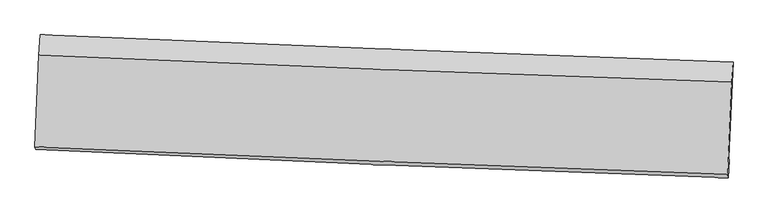
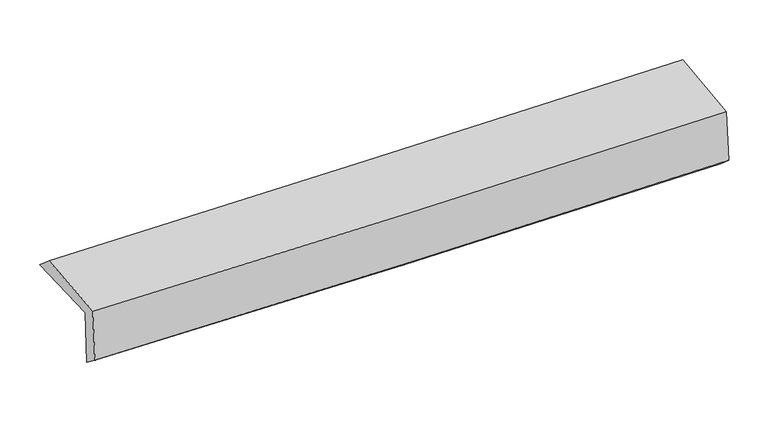
"""IFC4 building model written with IfcOpenShell, lengths in millimetres: proxy geometry."""

from ifc_helpers import new_model, si_unit, frame, origin, place, context, project, spatial, source, transform, mapped, element, save
from ifc_brep_helpers import plane_surface, spline_curve, spline_surface, advanced_brep


def generic_models_870f68ca(model_context):
    return source(origin(), model_context, "Body", "AdvancedBrep", [
        advanced_brep(
        [(-2411.7501899, -1707.332859, 2023.1063826), (-2382.1386839, -1045.681677, 2004.3996067), (2411.0349795, -1233.6305899, 2078.0722009), (2380.4891945, -1898.4917664, 2076.666635), (-2405.7515716, -1716.5048676, 1618.6355379), (2385.9369743, -1914.4397396, 1687.2714965), (-2412.6739852, -1839.2560102, 1712.3346792), (2378.6186937, -2037.3420623, 1792.3305977), (-2418.1384184, -1821.5331108, 2106.9967166), (2373.7674074, -2011.2720988, 2173.4654705), (-2390.2589127, -1186.5598414, 2123.0221907), (2402.5568484, -1374.3295104, 2204.6530328)],
        [
            (0, 1),
            (1, 2, spline_curve(3, [(-2382.1386839, -1045.681677, 2004.3996067), (-1583.325432664, -1080.401881571, 2013.96486821), (-784.445054868, -1113.425882817, 2024.887681431), (813.279528523, -1176.074797155, 2049.445792007), (1612.123704833, -1205.700433144, 2063.080510096), (2411.0349795, -1233.6305899, 2078.0722009)], [4, 2, 4], [0.0, 7.869824330927945, 15.737969925462668])),
            (2, 3),
            (3, 0, spline_curve(3, [(2380.4891945, -1898.4917664, 2076.666635), (1581.837916934, -1871.115352945, 2058.330553242), (783.201593006, -1841.499175311, 2044.69913206), (-814.21154173, -1777.78049555, 2026.843706939), (-1612.988345668, -1743.677037236, 2022.621710549), (-2411.7501899, -1707.332859, 2023.1063826)], [4, 2, 4], [0.0, 7.868145594534723, 15.737969925462668])),
            (4, 0),
            (3, 5),
            (5, 4, spline_curve(3, [(2385.9369743, -1914.4397396, 1687.2714965), (1587.198369926, -1888.192494757, 1671.447299009), (788.564270965, -1858.576418612, 1657.815913156), (-808.665288708, -1792.599565374, 1634.936324726), (-1607.260705224, -1756.237351186, 1625.689057512), (-2405.7515716, -1716.5048676, 1618.6355379)], [4, 2, 4], [0.0, 7.867251609029198, 15.736181763712137])),
            (6, 4),
            (5, 7),
            (7, 6, spline_curve(3, [(2378.6186937, -2037.3420623, 1792.3305977), (1579.892462312, -2011.123570707, 1778.4003638), (781.297532616, -1981.509276837, 1764.769599224), (-815.800083284, -1915.482041976, 1738.104165229), (-1614.302712846, -1879.067651657, 1725.06962351), (-2412.6739852, -1839.2560102, 1712.3346792)], [4, 2, 4], [0.0, 7.866965262285107, 15.73560900912942])),
            (8, 6),
            (7, 9),
            (9, 8, spline_curve(3, [(2373.7674074, -2011.2720988, 2173.4654705), (1575.132438905, -1983.662379131, 2157.281257563), (776.532060689, -1954.047837277, 2143.650406816), (-820.769896154, -1890.80236346, 2121.493065706), (-1619.471459763, -1857.170576007, 2112.967665423), (-2418.1384184, -1821.5331108, 2106.9967166)], [4, 2, 4], [0.0, 7.866814663361385, 15.735307779150403])),
            (10, 8),
            (9, 11),
            (11, 10, spline_curve(3, [(2402.5568484, -1374.3295104, 2204.6530328), (1603.675704148, -1346.373573988, 2190.988716019), (804.876412868, -1316.749980363, 2177.354709915), (-792.728875488, -1254.16080258, 2150.144416419), (-1591.534838412, -1221.194506307, 2136.56814189), (-2390.2589127, -1186.5598414, 2123.0221907)], [4, 2, 4], [0.0, 7.867714590261038, 15.737107824956837])),
            (1, 10),
            (11, 2),
        ],
        [
            spline_surface(3, 3, [[(-2411.7501899, -1707.332859, 2023.1063826), (-1612.988345593, -1743.677037165, 2022.621710534), (-814.21154162, -1777.780495458, 2026.843706877), (783.201592896, -1841.499175403, 2044.699132122), (1581.837917055, -1871.115352924, 2058.330553236), (2380.4891945, -1898.4917664, 2076.666635)], [(-2401.879687904, -1486.78246499, 2016.870790639), (-1603.100707925, -1522.585318615, 2019.736096431), (-804.289379297, -1556.328957973, 2026.19169839), (793.227571424, -1619.691049297, 2046.281352063), (1591.933179715, -1649.310379704, 2059.913872212), (2390.671122858, -1676.871374244, 2077.13515699)], [(-2392.009185896, -1266.23207101, 2010.635198661), (-1593.213070247, -1301.493600094, 2016.850482312), (-794.367217061, -1334.87742043, 2025.539689942), (803.253549864, -1397.882923132, 2047.863572042), (1602.0284423, -1427.505406451, 2061.497191116), (2400.853051142, -1455.250982056, 2077.60367891)], [(-2382.1386839, -1045.681677, 2004.3996067), (-1583.325432579, -1080.401881544, 2013.964868209), (-784.445054738, -1113.425882946, 2024.887681455), (813.279528393, -1176.074797025, 2049.445791983), (1612.12370496, -1205.70043323, 2063.080510091), (2411.0349795, -1233.6305899, 2078.0722009)]], [4, 4], [4, 2, 4], [0.0, 2.18360826548558], [0.0, 7.869824330927945, 15.737969925462668]),
            spline_surface(3, 3, [[(-2405.7515716, -1716.5048676, 1618.6355379), (-1607.260705236, -1756.237351096, 1625.689057519), (-808.665288816, -1792.599565505, 1634.936324613), (788.564271074, -1858.576418482, 1657.815913269), (1587.198369973, -1888.192494736, 1671.447299083), (2385.9369743, -1914.4397396, 1687.2714965)], [(-2407.751111042, -1713.447531397, 1753.459152778), (-1609.169918697, -1752.050579783, 1757.999941835), (-810.514039769, -1787.659875477, 1765.572118705), (786.776711662, -1852.88400411, 1786.776986224), (1585.411552335, -1882.50011412, 1800.408383804), (2384.121047701, -1909.123748521, 1817.069876003)], [(-2409.750650458, -1710.390195203, 1888.282767722), (-1611.079132132, -1747.863808479, 1890.310826217), (-812.362790666, -1782.720185486, 1896.207912785), (784.989152307, -1847.191589775, 1915.738059167), (1583.624734693, -1876.80773354, 1929.369468515), (2382.305121099, -1903.807757479, 1946.868255497)], [(-2411.7501899, -1707.332859, 2023.1063826), (-1612.988345593, -1743.677037165, 2022.621710534), (-814.21154162, -1777.780495458, 2026.843706877), (783.201592896, -1841.499175403, 2044.699132122), (1581.837917055, -1871.115352924, 2058.330553236), (2380.4891945, -1898.4917664, 2076.666635)]], [4, 4], [4, 2, 4], [0.0, 1.278741619457885], [0.0, 7.868930154682939, 15.736181763712137]),
            spline_surface(3, 3, [[(-2412.6739852, -1839.2560102, 1712.3346792), (-1614.302712966, -1879.067651726, 1725.069623548), (-815.800083154, -1915.482041986, 1738.104165241), (781.297532486, -1981.509276827, 1764.769599213), (1579.892462364, -2011.123570582, 1778.400363681), (2378.6186937, -2037.3420623, 1792.3305977)], [(-2410.366514019, -1798.338962669, 1681.101632118), (-1611.955377075, -1838.124218185, 1691.942768222), (-813.421818381, -1874.521216504, 1703.714885033), (783.719778675, -1940.53165739, 1729.118370566), (1582.327764901, -1970.146545295, 1742.749342143), (2381.058120567, -1996.374621395, 1757.310897295)], [(-2408.059042781, -1757.421915131, 1649.868584982), (-1609.608041127, -1797.180784637, 1658.815912844), (-811.043553589, -1833.560390987, 1669.325604822), (786.142024884, -1899.554037919, 1693.467141916), (1584.763067436, -1929.169520023, 1707.098320621), (2383.497547433, -1955.407180505, 1722.291196905)], [(-2405.7515716, -1716.5048676, 1618.6355379), (-1607.260705236, -1756.237351096, 1625.689057519), (-808.665288816, -1792.599565505, 1634.936324613), (788.564271074, -1858.576418482, 1657.815913269), (1587.198369973, -1888.192494736, 1671.447299083), (2385.9369743, -1914.4397396, 1687.2714965)]], [4, 4], [4, 2, 4], [0.0, 0.5310079995694744], [0.0, 7.868643746844312, 15.73560900912942]),
            spline_surface(3, 3, [[(-2418.1384184, -1821.5331108, 2106.9967166), (-1619.471459773, -1857.170575925, 2112.967665316), (-820.769896083, -1890.802363497, 2121.493065762), (776.532060618, -1954.04783724, 2143.650406761), (1575.13243885, -1983.662379016, 2157.281257576), (2373.7674074, -2011.2720988, 2173.4654705)], [(-2416.316940661, -1827.440743918, 1975.442704131), (-1617.748544165, -1864.469601177, 1983.668318057), (-819.113291778, -1899.028922968, 1993.696765595), (778.120551235, -1963.20165041, 2017.356804252), (1576.719113326, -1992.81610954, 2030.987626258), (2375.384502804, -2019.962086635, 2046.42051288)], [(-2414.495462939, -1833.348377082, 1843.888691669), (-1616.025628574, -1871.768626474, 1854.368970806), (-817.456687458, -1907.255482515, 1865.900465408), (779.709041868, -1972.355463657, 1891.063201722), (1578.305787888, -2001.969840058, 1904.693994999), (2377.001598296, -2028.652074465, 1919.37555532)], [(-2412.6739852, -1839.2560102, 1712.3346792), (-1614.302712966, -1879.067651726, 1725.069623548), (-815.800083154, -1915.482041986, 1738.104165241), (781.297532486, -1981.509276827, 1764.769599213), (1579.892462364, -2011.123570582, 1778.400363681), (2378.6186937, -2037.3420623, 1792.3305977)]], [4, 4], [4, 2, 4], [0.0, 1.253467611748469], [0.0, 7.868493115789018, 15.735307779150403]),
            spline_surface(3, 3, [[(-2390.2589127, -1186.5598414, 2123.0221907), (-1591.534838295, -1221.194506412, 2136.568141777), (-792.728875612, -1254.160802482, 2150.144416348), (804.876412992, -1316.749980461, 2177.354709987), (1603.675704065, -1346.373574045, 2190.988716109), (2402.5568484, -1374.3295104, 2204.6530328)], [(-2399.552081271, -1398.217597893, 2117.680365997), (-1600.847045458, -1433.186529609, 2128.701316287), (-802.075882427, -1466.374656179, 2140.593966162), (795.428295543, -1529.182599413, 2166.119942255), (1594.161282357, -1558.803175714, 2179.752896611), (2392.960368097, -1586.643706546, 2194.257178713)], [(-2408.845249829, -1609.875354307, 2112.338541303), (-1610.15925261, -1645.178552728, 2120.834490805), (-811.422889268, -1678.5885098, 2131.043515947), (785.980178067, -1741.615218289, 2154.885174493), (1584.646860558, -1771.232777347, 2168.517077073), (2383.363887703, -1798.957902654, 2183.861324587)], [(-2418.1384184, -1821.5331108, 2106.9967166), (-1619.471459773, -1857.170575925, 2112.967665316), (-820.769896083, -1890.802363497, 2121.493065762), (776.532060618, -1954.04783724, 2143.650406761), (1575.13243885, -1983.662379016, 2157.281257576), (2373.7674074, -2011.2720988, 2173.4654705)]], [4, 4], [4, 2, 4], [0.0, 2.0943407154983165], [0.0, 7.869393234695799, 15.737107824956837]),
            spline_surface(3, 3, [[(-2382.1386839, -1045.681677, 2004.3996067), (-1583.325432579, -1080.401881544, 2013.964868209), (-784.445054738, -1113.425882946, 2024.887681455), (813.279528393, -1176.074797025, 2049.445791983), (1612.12370496, -1205.70043323, 2063.080510091), (2411.0349795, -1233.6305899, 2078.0722009)], [(-2384.845426804, -1092.641065133, 2043.940468037), (-1586.061901122, -1127.3327565, 2054.832626069), (-787.206328371, -1160.337522773, 2066.63992641), (810.478489918, -1222.966524819, 2092.082097976), (1609.307704634, -1252.591480161, 2105.716578748), (2408.208935772, -1280.530230059, 2120.265811518)], [(-2387.552169796, -1139.600453267, 2083.481329363), (-1588.798369753, -1174.263631456, 2095.700383917), (-789.967601979, -1207.249162655, 2108.392171392), (807.677451467, -1269.858252667, 2134.718403994), (1606.491704391, -1299.482527114, 2148.352647452), (2405.382892128, -1327.429870241, 2162.459422182)], [(-2390.2589127, -1186.5598414, 2123.0221907), (-1591.534838295, -1221.194506412, 2136.568141777), (-792.728875612, -1254.160802482, 2150.144416348), (804.876412992, -1316.749980461, 2177.354709987), (1603.675704065, -1346.373574045, 2190.988716109), (2402.5568484, -1374.3295104, 2204.6530328)]], [4, 4], [4, 2, 4], [0.0, 0.6215496141083754], [0.0, 7.870451661892708, 15.7392244535743]),
            plane_surface(frame((2388.7340163, -1744.9176279, 2002.0765722), z_axis=(0.9988191861673223, -0.04592236995924403, 0.015854629651119244), x_axis=(0.012697832742730076, -0.06823593200836166, -0.9975884034142477))),
            plane_surface(frame((-2403.4519603, -1552.8113943, 1931.4158523), z_axis=(-0.9988949316587481, 0.04425727690082509, -0.01581799443004846), x_axis=(-0.044691378253922616, -0.9986018022466195, 0.028233335962446735))),
        ],
        [
            (0, [[1, 2, 3, 4]]),
            (1, [[5, -4, 6, 7]]),
            (2, [[8, -7, 9, 10]]),
            (3, [[11, -10, 12, 13]]),
            (4, [[14, -13, 15, 16]]),
            (5, [[17, -16, 18, -2]]),
            (6, [[-12, -9, -6, -3, -18, -15]]),
            (7, [[-1, -5, -8, -11, -14, -17]]),
        ],
    ),
    ])


if __name__ == "__main__":
    model = new_model("IFC4")
    model_context = context("Model", 3, world=origin())
    ifc_project = project(units=[si_unit("LENGTHUNIT", "METRE", prefix="MILLI")], contexts=[model_context])
    site = spatial("IfcSite", under=ifc_project)
    building = spatial("IfcBuilding", under=site)
    placement = place(None, origin())
    generic_models_shape = generic_models_870f68ca(model_context)
    element("IfcBuildingElementProxy", 1, Name="Generic Models", at=placement, inside=building, context=model_context, shape_type="MappedRepresentation", body=[
        mapped(generic_models_shape, transform((0.0, 0.0, 0.0), x_axis=(1.0, 0.0, 0.0), y_axis=(0.0, 1.0, 0.0), z_axis=(0.0, 0.0, 1.0))),
    ])
    save(model, "model.ifc")
